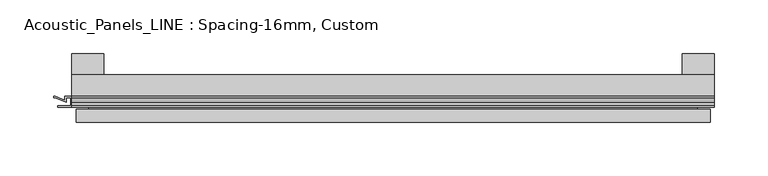
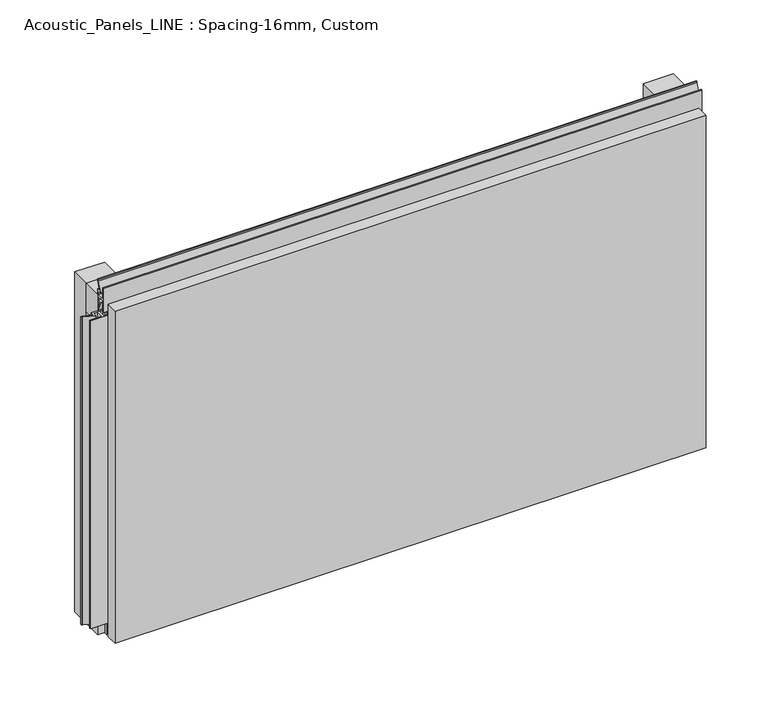
"""IFC4 building model written with IfcOpenShell, lengths in millimetres: plate geometry, Acoustic_Panels_LINE : Spacing-16mm, Custom."""

from ifc_helpers import new_model, si_unit, frame, origin, origin_with_axes, place, context, project, spatial, polyline, outline, extrude, faceted_brep, source, transform, mapped, element, save


def acoustic_panels_line_spacing_16mm_custom_8dc1151b(model_context):
    return source(origin(), model_context, "Body", "SolidModel", [
        extrude(outline(polyline([(-300.0, -40.0), (-300.0, -20.0), (300.0, -20.0), (300.0, -40.0), (-300.0, -40.0)])), frame((0.0, 0.0, 330.0), z_axis=(0.0, 0.0, 1.0), x_axis=(1.0, 0.0, 0.0)), (0.0, 0.0, 1.0), 30.0),
        extrude(outline(polyline([(-300.0, -40.0), (-300.0, -20.0), (300.0, -20.0), (300.0, -40.0), (-300.0, -40.0)])), origin_with_axes(), (0.0, 0.0, 1.0), 30.0),
        extrude(outline(polyline([(270.0, 0.0), (300.0, 0.0), (300.0, -20.0), (270.0, -20.0), (270.0, 0.0)])), origin_with_axes(), (0.0, 0.0, 1.0), 360.0),
        extrude(outline(polyline([(-270.0, 0.0), (-270.0, -20.0), (-300.0, -20.0), (-300.0, 0.0), (-270.0, 0.0)])), origin_with_axes(), (0.0, 0.0, 1.0), 360.0),
        extrude(outline(polyline([(293.700916, -40.0), (300.0, -40.0), (300.0, -50.1), (286.5843193, -50.1), (286.5843193, -48.7), (298.5843193, -48.7), (298.5843193, -41.4), (295.100916, -41.4), (295.100916, -45.5140545), (284.4296606, -41.4553267), (277.008452, -41.4553267), (277.008452, -40.0553267), (284.6441401, -40.0553267), (293.700916, -43.5), (293.700916, -40.0)])), frame((0.0, 0.0, 16.9558599), z_axis=(0.0, 0.0, 1.0), x_axis=(1.0, 0.0, 0.0)), (0.0, 0.0, 1.0), 326.0882802),
        extrude(outline(polyline([(-300.899084, -48.7), (-300.899084, -41.4), (-304.899084, -41.4), (-304.899084, -45.5140545), (-315.5703394, -41.4553267), (-316.9558599, -41.4553267), (-316.9558599, -40.0553267), (-315.3558599, -40.0553267), (-306.299084, -43.5), (-306.299084, -40.0), (-293.700916, -40.0), (-293.700916, -43.5), (-284.6441401, -40.0553267), (-283.0441401, -40.0553267), (-283.0441401, -41.4553267), (-284.4296606, -41.4553267), (-295.100916, -45.5140545), (-295.100916, -41.4), (-299.100916, -41.4), (-299.100916, -48.7), (-287.100916, -48.7), (-287.100916, -50.1), (-312.899084, -50.1), (-312.899084, -48.7), (-300.899084, -48.7)])), frame((0.0, 0.0, 16.9558599), z_axis=(0.0, 0.0, 1.0), x_axis=(1.0, 0.0, 0.0)), (0.0, 0.0, 1.0), 326.0882802),
        extrude(outline(polyline([(-48.7, 360.899084), (-41.4, 360.899084), (-41.4, 364.899084), (-45.5140545, 364.899084), (-41.4553267, 375.5703394), (-41.4553267, 376.9558599), (-40.0553267, 376.9558599), (-40.0553267, 375.3558599), (-43.5, 366.299084), (-40.0, 366.299084), (-40.0, 353.700916), (-43.5, 353.700916), (-40.0553267, 344.6441401), (-40.0553267, 343.0441401), (-41.4553267, 343.0441401), (-41.4553267, 344.4296606), (-45.5140545, 355.100916), (-41.4, 355.100916), (-41.4, 359.100916), (-48.7, 359.100916), (-48.7, 347.100916), (-50.1, 347.100916), (-50.1, 372.899084), (-48.7, 372.899084), (-48.7, 360.899084)])), frame((-300.0, 0.0, 0.0), z_axis=(1.0, 0.0, 0.0), x_axis=(0.0, 1.0, 0.0)), (0.0, 0.0, 1.0), 600.0),
        faceted_brep([(296.0, -45.9, 356.0), (-296.0, -45.9, 356.0), (-296.0, -48.7, 356.0), (296.0, -48.7, 356.0), (-296.0, -63.9, 356.0), (296.0, -63.9, 356.0), (296.0, -51.9, 356.0), (-296.0, -51.9, 356.0), (-296.0, -45.9, 4.0), (296.0, -45.9, 4.0), (296.0, -48.7, 4.0), (-296.0, -48.7, 4.0), (296.0, -63.9, 4.0), (-296.0, -63.9, 4.0), (-296.0, -51.9, 4.0), (296.0, -51.9, 4.0), (284.0, -51.9, 344.0), (284.0, -51.9, 16.0), (284.0, -48.7, 16.0), (284.0, -48.7, 344.0), (-284.0, -51.9, 16.0), (-284.0, -48.7, 16.0), (-284.0, -51.9, 344.0), (-284.0, -48.7, 344.0)], [[[0, 1, 2, 3]], [[4, 5, 6, 7]], [[8, 9, 10, 11]], [[12, 13, 14, 15]], [[1, 0, 9, 8]], [[1, 8, 11, 2]], [[13, 4, 7, 14]], [[5, 4, 13, 12]], [[9, 0, 3, 10]], [[5, 12, 15, 6]], [[16, 17, 18, 19]], [[18, 17, 20, 21]], [[21, 20, 22, 23]], [[16, 19, 23, 22]], [[7, 6, 15, 14], [17, 16, 22, 20]], [[3, 2, 11, 10], [19, 18, 21, 23]]]),
    ])


if __name__ == "__main__":
    model = new_model("IFC4")
    model_context = context("Model", 3, world=origin())
    ifc_project = project(units=[si_unit("LENGTHUNIT", "METRE", prefix="MILLI")], contexts=[model_context])
    site = spatial("IfcSite", under=ifc_project)
    building = spatial("IfcBuilding", under=site)
    placement = place(None, origin())
    acoustic_panels_line_spacing_16mm_custom_shape = acoustic_panels_line_spacing_16mm_custom_8dc1151b(model_context)
    element("IfcPlate", 1, ObjectType="Acoustic_Panels_LINE : Spacing-16mm, Custom", at=placement, inside=building, context=model_context, shape_type="MappedRepresentation", body=[
        mapped(acoustic_panels_line_spacing_16mm_custom_shape, transform((0.0, 0.0, 0.0), x_axis=(1.0, 0.0, 0.0), y_axis=(0.0, 1.0, 0.0), z_axis=(0.0, 0.0, 1.0))),
    ])
    save(model, "model.ifc")
